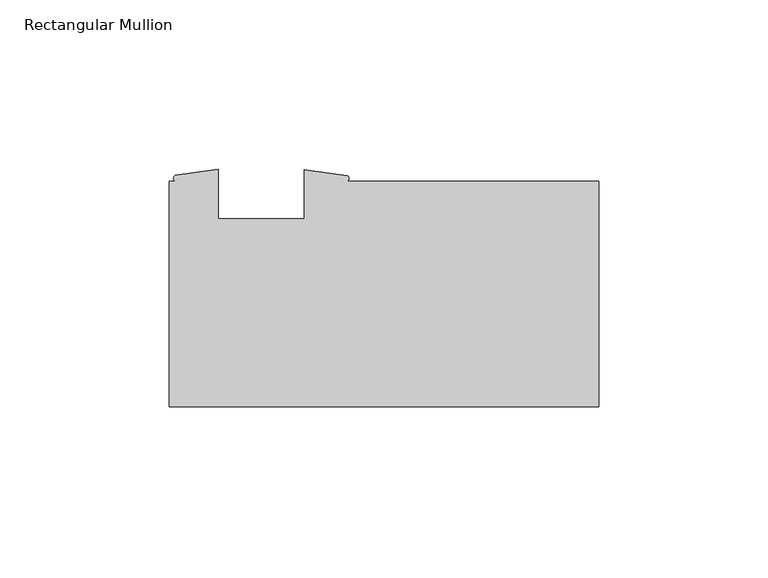
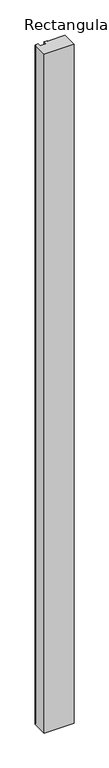
"""IFC4 building model written with IfcOpenShell, lengths in millimetres: member geometry, Rectangular Mullion."""

from ifc_helpers import new_model, si_unit, point, frame, frame_2d, origin, place, context, project, spatial, polyline, circle_curve, trimmed, segment, composite_curve, outline, extrude, source, transform, mapped, element, save


def rectangular_mullion_2c7d8be9(model_context):
    return source(origin(), model_context, "Body", "SweptSolid", [
        extrude(outline(composite_curve([segment(polyline([(-127.0, -33.3375), (-127.0, 33.3375), (-125.2695278, 33.3375)]), True, "CONTINUOUS"), segment(trimmed(circle_curve(frame_2d((-124.722941, 34.1692022)), 0.9952314), [point((-125.2695278, 33.3375))], [point((-125.2695278, 35.0009044))], False, "CARTESIAN"), True, "CONTINUOUS"), segment(polyline([(-125.2695278, 35.0009044), (-112.496475, 36.8570217), (-112.496475, 22.225), (-87.096475, 22.225), (-87.096475, 36.7335), (-74.3251874, 34.9233963)]), True, "CONTINUOUS"), segment(trimmed(circle_curve(frame_2d((-74.7357127, 34.1304481)), 0.8929153), [point((-74.3251874, 34.9233963))], [point((-74.3251874, 33.3375))], False, "CARTESIAN"), True, "CONTINUOUS"), segment(polyline([(-74.3251874, 33.3375), (0.0, 33.3375), (0.0, -33.3375), (-127.0, -33.3375)]), True, "CONTINUOUS")], self_intersect=False)), frame((0.0, 0.0, -3048.0), z_axis=(0.0, 0.0, 1.0), x_axis=(1.0, 0.0, 0.0)), (0.0, 0.0, 1.0), 3048.0),
    ])


if __name__ == "__main__":
    model = new_model("IFC4")
    model_context = context("Model", 3, world=origin())
    ifc_project = project(units=[si_unit("LENGTHUNIT", "METRE", prefix="MILLI")], contexts=[model_context])
    site = spatial("IfcSite", under=ifc_project)
    building = spatial("IfcBuilding", under=site)
    placement = place(None, origin())
    rectangular_mullion_shape = rectangular_mullion_2c7d8be9(model_context)
    element("IfcMember", 1, ObjectType="Rectangular Mullion", at=placement, inside=building, context=model_context, shape_type="MappedRepresentation", body=[
        mapped(rectangular_mullion_shape, transform((0.0, 0.0, 0.0), x_axis=(1.0, 0.0, 0.0), y_axis=(0.0, 1.0, 0.0), z_axis=(0.0, 0.0, 1.0))),
    ])
    save(model, "model.ifc")
